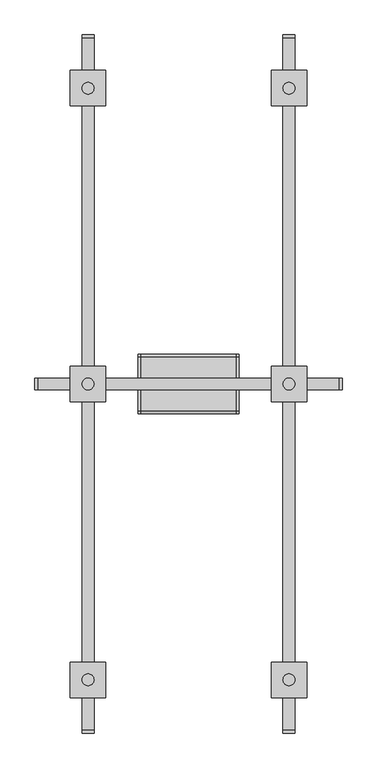
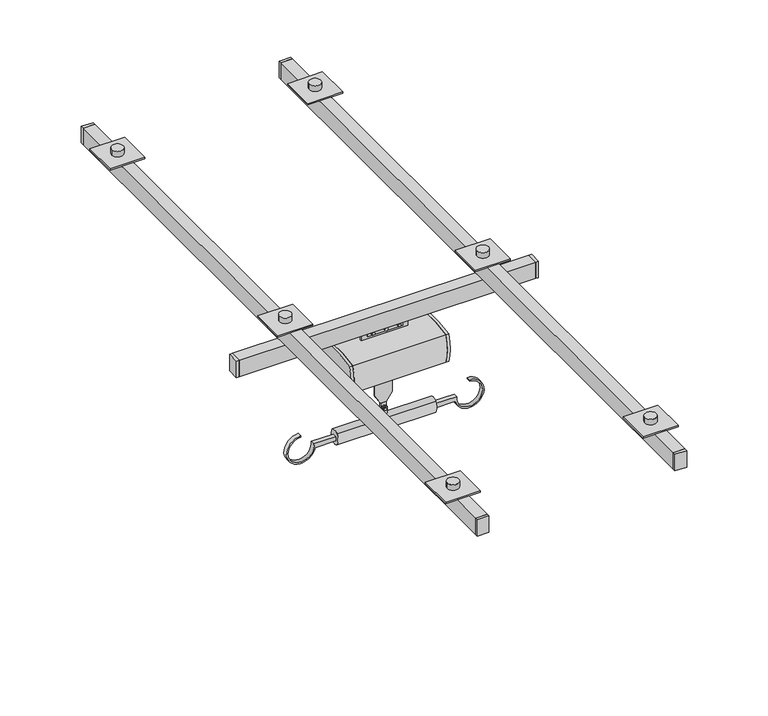
"""IFC4 building model written with IfcOpenShell, lengths in millimetres: proxy geometry."""

from ifc_helpers import new_model, si_unit, point, frame, frame_2d, origin, place, context, project, spatial, polyline, circle_curve, trimmed, segment, composite_curve, outline, extrude, source, transform, mapped, element, save
from ifc_brep_helpers import plane_surface, cylinder_surface, revolved_surface, advanced_brep


def specialty_equipment_1895601b(model_context):
    return source(origin(), model_context, "Body", "SolidModel", [
        extrude(outline(composite_curve([segment(polyline([(2089.15, 215.9), (2089.15, 306.0829605)]), True, "CONTINUOUS"), segment(trimmed(circle_curve(frame_2d((2101.85, 368.3)), 63.5), [point((2089.15, 306.0829605))], [point((2165.35, 368.3))], False, "CARTESIAN"), True, "CONTINUOUS"), segment(polyline([(2165.35, 368.3), (2159.0, 368.3)]), True, "CONTINUOUS"), segment(trimmed(circle_curve(frame_2d((2101.85, 368.3)), 57.15), [point((2159.0, 368.3))], [point((2108.2, 311.5038734))], True, "CARTESIAN"), True, "CONTINUOUS"), segment(polyline([(2108.2, 311.5038734), (2108.2, 215.9), (2089.15, 215.9)]), True, "CONTINUOUS")], self_intersect=False)), frame((0.0, -1508.125, 0.0), z_axis=(0.0, 1.0, 0.0), x_axis=(0.0, 0.0, 1.0)), (0.0, 0.0, 1.0), 19.05),
        extrude(outline(composite_curve([segment(trimmed(circle_curve(frame_2d((2101.85, -368.3)), 57.15), [point((2108.2, -311.5038734))], [point((2159.0, -368.3))], True, "CARTESIAN"), True, "CONTINUOUS"), segment(polyline([(2159.0, -368.3), (2165.35, -368.3)]), True, "CONTINUOUS"), segment(trimmed(circle_curve(frame_2d((2101.85, -368.3)), 63.5), [point((2165.35, -368.3))], [point((2089.15, -306.0829605))], False, "CARTESIAN"), True, "CONTINUOUS"), segment(polyline([(2089.15, -306.0829605), (2089.15, -215.9), (2108.2, -215.9), (2108.2, -311.5038734)]), True, "CONTINUOUS")], self_intersect=False)), frame((0.0, -1508.125, 0.0), z_axis=(0.0, 1.0, 0.0), x_axis=(0.0, 0.0, 1.0)), (0.0, 0.0, 1.0), 19.05),
        advanced_brep(
        [(203.2, -1384.3, 2368.55), (203.2, -1384.3, 2495.55), (203.2, -1612.9, 2495.55), (203.2, -1612.9, 2368.55), (-203.2, -1384.3, 2368.55), (-203.2, -1612.9, 2368.55), (-203.2, -1612.9, 2495.55), (-203.2, -1384.3, 2495.55), (57.15, -1479.55, 2356.1985923), (-57.15, -1479.55, 2356.1985923), (-57.15, -1501.775, 2355.85968), (57.15, -1501.775, 2355.85968), (38.1, -1489.075, 2355.9371262), (38.1, -1498.6, 2355.85), (-38.1, -1498.6, 2355.85), (-38.1, -1489.075, 2355.9371262), (57.15, -1479.55, 2349.5), (57.15, -1501.775, 2349.5), (-57.15, -1501.775, 2349.5), (-57.15, -1479.55, 2349.5), (38.1, -1489.075, 2349.5), (-38.1, -1489.075, 2349.5), (-38.1, -1498.6, 2349.5), (38.1, -1498.6, 2349.5)],
        [
            (0, 1, circle_curve(frame((203.2, -1536.7, 2432.05), z_axis=(1.0, 0.0, 0.0), x_axis=(0.0, 1.0, 0.0)), 165.1)),
            (1, 2, circle_curve(frame((203.2, -1498.6, 1987.55), z_axis=(1.0, 0.0, 0.0), x_axis=(0.0, 1.0, 0.0)), 520.7)),
            (2, 3, circle_curve(frame((203.2, -1460.5, 2432.05), z_axis=(1.0, 0.0, 0.0), x_axis=(0.0, 1.0, 0.0)), 165.1)),
            (3, 0, circle_curve(frame((203.2, -1498.6, 2876.55), z_axis=(1.0, 0.0, 0.0), x_axis=(0.0, 1.0, 0.0)), 520.7)),
            (4, 5, circle_curve(frame((-203.2, -1498.6, 2876.55), z_axis=(-1.0, 0.0, 0.0), x_axis=(0.0, 1.0, 0.0)), 520.7)),
            (5, 6, circle_curve(frame((-203.2, -1460.5, 2432.05), z_axis=(-1.0, 0.0, 0.0), x_axis=(0.0, 1.0, 0.0)), 165.1)),
            (6, 7, circle_curve(frame((-203.2, -1498.6, 1987.55), z_axis=(-1.0, 0.0, 0.0), x_axis=(0.0, 1.0, 0.0)), 520.7)),
            (7, 4, circle_curve(frame((-203.2, -1536.7, 2432.05), z_axis=(-1.0, 0.0, 0.0), x_axis=(0.0, 1.0, 0.0)), 165.1)),
            (0, 4),
            (7, 1),
            (6, 2),
            (5, 3),
            (8, 9),
            (9, 10, circle_curve(frame((-57.15, -1498.6, 2876.55), z_axis=(-1.0, 0.0, 0.0), x_axis=(0.0, 1.0, 0.0)), 520.7)),
            (10, 11),
            (11, 8, circle_curve(frame((57.15, -1498.6, 2876.55), z_axis=(1.0, 0.0, 0.0), x_axis=(0.0, 1.0, 0.0)), 520.7)),
            (12, 13, circle_curve(frame((38.1, -1498.6, 2876.55), z_axis=(-1.0, 0.0, 0.0), x_axis=(0.0, 1.0, 0.0)), 520.7)),
            (13, 14),
            (14, 15, circle_curve(frame((-38.1, -1498.6, 2876.55), z_axis=(1.0, 0.0, 0.0), x_axis=(0.0, 1.0, 0.0)), 520.7)),
            (15, 12),
            (16, 17),
            (17, 18),
            (18, 19),
            (19, 16),
            (20, 21),
            (21, 22),
            (22, 23),
            (23, 20),
            (19, 9),
            (8, 16),
            (18, 10),
            (17, 11),
            (23, 13),
            (12, 20),
            (22, 14),
            (21, 15),
        ],
        [
            plane_surface(frame((203.2, -1371.6, 2432.05), z_axis=(1.0, 0.0, 0.0), x_axis=(0.0, 0.0, 1.0))),
            plane_surface(frame((-203.2, -1371.6, 2432.05), z_axis=(-1.0, 0.0, 0.0), x_axis=(0.0, 0.0, -1.0))),
            cylinder_surface(frame((-203.2, -1536.7, 2432.05), z_axis=(1.0, 0.0, 0.0), x_axis=(0.0, 1.0, 0.0)), 165.1),
            cylinder_surface(frame((-203.2, -1498.6, 1987.55), z_axis=(1.0, 0.0, 0.0), x_axis=(0.0, 1.0, 0.0)), 520.7),
            cylinder_surface(frame((-203.2, -1460.5, 2432.05), z_axis=(1.0, 0.0, 0.0), x_axis=(0.0, 1.0, 0.0)), 165.1),
            cylinder_surface(frame((-203.2, -1498.6, 2876.55), z_axis=(1.0, 0.0, 0.0), x_axis=(0.0, 1.0, 0.0)), 520.7),
            plane_surface(frame((-57.15, -1479.55, 2349.5), z_axis=(0.0, 0.0, -1.0), x_axis=(1.0, 0.0, 0.0))),
            plane_surface(frame((57.15, -1479.55, 2368.55), z_axis=(0.0, 1.0, 0.0), x_axis=(0.0, 0.0, -1.0))),
            plane_surface(frame((-57.15, -1479.55, 2368.55), z_axis=(-1.0, 0.0, 0.0), x_axis=(0.0, 0.0, -1.0))),
            plane_surface(frame((-57.15, -1501.775, 2368.55), z_axis=(0.0, -1.0, 0.0), x_axis=(0.0, 0.0, -1.0))),
            plane_surface(frame((57.15, -1501.775, 2368.55), z_axis=(1.0, 0.0, 0.0), x_axis=(0.0, 0.0, -1.0))),
            plane_surface(frame((38.1, -1489.075, 2368.55), z_axis=(-1.0, 0.0, 0.0), x_axis=(0.0, 0.0, -1.0))),
            plane_surface(frame((38.1, -1498.6, 2368.55), z_axis=(0.0, 1.0, 0.0), x_axis=(0.0, 0.0, -1.0))),
            plane_surface(frame((-38.1, -1498.6, 2368.55), z_axis=(1.0, 0.0, 0.0), x_axis=(0.0, 0.0, -1.0))),
            plane_surface(frame((-38.1, -1489.075, 2368.55), z_axis=(0.0, -1.0, 0.0), x_axis=(0.0, 0.0, -1.0))),
        ],
        [
            (0, [[1, 2, 3, 4]]),
            (1, [[5, 6, 7, 8]]),
            (2, [[-1, 9, -8, 10]]),
            (3, [[-2, -10, -7, 11]]),
            (4, [[-3, -11, -6, 12]]),
            (5, [[-4, -12, -5, -9], [13, 14, 15, 16]]),
            (5, [[17, 18, 19, 20]]),
            (6, [[21, 22, 23, 24], [25, 26, 27, 28]]),
            (7, [[-24, 29, -13, 30]]),
            (8, [[-23, 31, -14, -29]]),
            (9, [[-22, 32, -15, -31]]),
            (10, [[-21, -30, -16, -32]]),
            (11, [[-28, 33, -17, 34]]),
            (12, [[-27, 35, -18, -33]]),
            (13, [[-26, 36, -19, -35]]),
            (14, [[-25, -34, -20, -36]]),
        ],
    ),
        extrude(outline(polyline([(2222.5, -38.1), (2184.4, -12.7), (2184.4, 12.7), (2222.5, 38.1), (2355.85, 38.1), (2355.85, -38.1), (2222.5, -38.1)])), frame((0.0, -1495.425, 0.0), z_axis=(0.0, 1.0, 0.0), x_axis=(0.0, 0.0, 1.0)), (0.0, 0.0, 1.0), 6.35),
        extrude(outline(composite_curve([segment(trimmed(circle_curve(frame_2d((2159.0, 0.0)), 6.35), [point((2159.0, -6.35))], [point((2159.0, 6.35))], False, "CARTESIAN"), True, "CONTINUOUS"), segment(trimmed(circle_curve(frame_2d((2159.0, 0.0)), 6.35), [point((2159.0, 6.35))], [point((2159.0, -6.35))], False, "CARTESIAN"), True, "CONTINUOUS")], self_intersect=False)), frame((0.0, -1489.075, 0.0), z_axis=(0.0, 1.0, 0.0), x_axis=(0.0, 0.0, 1.0)), (0.0, 0.0, 1.0), 9.525),
        extrude(outline(polyline([(2159.0, -7.3323484), (2152.65, -3.6661742), (2152.65, 3.6661742), (2159.0, 7.3323484), (2165.35, 3.6661742), (2165.35, -3.6661742), (2159.0, -7.3323484)])), frame((0.0, -1508.125, 0.0), z_axis=(0.0, 1.0, 0.0), x_axis=(0.0, 0.0, 1.0)), (0.0, 0.0, 1.0), 6.35),
        extrude(outline(polyline([(12.7, -1489.075), (12.7, -1495.425), (-12.7, -1495.425), (-12.7, -1489.075), (12.7, -1489.075)])), frame((0.0, 0.0, 2146.3), z_axis=(0.0, 0.0, 1.0), x_axis=(1.0, 0.0, 0.0)), (0.0, 0.0, 1.0), 38.1),
        advanced_brep(
        [(215.9, -1479.55, 2127.25), (215.9, -1517.65, 2127.25), (215.9, -1517.65, 2076.45), (215.9, -1479.55, 2076.45), (-215.9, -1479.55, 2127.25), (-215.9, -1479.55, 2076.45), (-215.9, -1517.65, 2076.45), (-215.9, -1517.65, 2127.25), (12.7, -1501.775, 2133.4408511), (-12.7, -1501.775, 2133.4408511), (-12.7, -1495.425, 2133.4408511), (12.7, -1495.425, 2133.4408511), (12.7, -1501.775, 2159.0), (-12.7, -1501.775, 2159.0), (-6.35, -1501.775, 2159.0), (6.35, -1501.775, 2159.0), (-12.7, -1495.425, 2159.0), (12.7, -1495.425, 2159.0), (-6.35, -1495.425, 2159.0), (6.35, -1495.425, 2159.0)],
        [
            (0, 1, circle_curve(frame((215.9, -1498.6, 2101.85), z_axis=(1.0, 0.0, 0.0), x_axis=(0.0, 1.0, 0.0)), 31.75)),
            (1, 2, circle_curve(frame((215.9, -1470.025, 2101.85), z_axis=(1.0, 0.0, 0.0), x_axis=(0.0, 1.0, 0.0)), 53.975)),
            (2, 3, circle_curve(frame((215.9, -1498.6, 2101.85), z_axis=(1.0, 0.0, 0.0), x_axis=(0.0, 1.0, 0.0)), 31.75)),
            (3, 0, circle_curve(frame((215.9, -1527.175, 2101.85), z_axis=(1.0, 0.0, 0.0), x_axis=(0.0, 1.0, 0.0)), 53.975)),
            (4, 5, circle_curve(frame((-215.9, -1527.175, 2101.85), z_axis=(-1.0, 0.0, 0.0), x_axis=(0.0, 1.0, 0.0)), 53.975)),
            (5, 6, circle_curve(frame((-215.9, -1498.6, 2101.85), z_axis=(-1.0, 0.0, 0.0), x_axis=(0.0, 1.0, 0.0)), 31.75)),
            (6, 7, circle_curve(frame((-215.9, -1470.025, 2101.85), z_axis=(-1.0, 0.0, 0.0), x_axis=(0.0, 1.0, 0.0)), 53.975)),
            (7, 4, circle_curve(frame((-215.9, -1498.6, 2101.85), z_axis=(-1.0, 0.0, 0.0), x_axis=(0.0, 1.0, 0.0)), 31.75)),
            (0, 4),
            (7, 1),
            (8, 9),
            (9, 10, circle_curve(frame((-12.7, -1498.6, 2101.85), z_axis=(-1.0, 0.0, 0.0), x_axis=(0.0, 1.0, 0.0)), 31.75)),
            (10, 11),
            (11, 8, circle_curve(frame((12.7, -1498.6, 2101.85), z_axis=(1.0, 0.0, 0.0), x_axis=(0.0, 1.0, 0.0)), 31.75)),
            (6, 2),
            (5, 3),
            (12, 13, circle_curve(frame((0.0, -1501.775, 2159.0), z_axis=(0.0, -1.0, 0.0), x_axis=(1.0, 0.0, 0.0)), 12.7)),
            (13, 9),
            (8, 12),
            (14, 15, circle_curve(frame((0.0, -1501.775, 2159.0), z_axis=(0.0, 1.0, 0.0), x_axis=(1.0, 0.0, 0.0)), 6.35)),
            (15, 14, circle_curve(frame((0.0, -1501.775, 2159.0), z_axis=(0.0, 1.0, 0.0), x_axis=(1.0, 0.0, 0.0)), 6.35)),
            (16, 17, circle_curve(frame((0.0, -1495.425, 2159.0), z_axis=(0.0, 1.0, 0.0), x_axis=(1.0, 0.0, 0.0)), 12.7)),
            (17, 11),
            (10, 16),
            (18, 19, circle_curve(frame((0.0, -1495.425, 2159.0), z_axis=(0.0, -1.0, 0.0), x_axis=(1.0, 0.0, 0.0)), 6.35)),
            (19, 18, circle_curve(frame((0.0, -1495.425, 2159.0), z_axis=(0.0, -1.0, 0.0), x_axis=(1.0, 0.0, 0.0)), 6.35)),
            (17, 12),
            (16, 13),
            (14, 18),
            (19, 15),
        ],
        [
            plane_surface(frame((215.9, -1466.85, 2101.85), z_axis=(1.0, 0.0, 0.0), x_axis=(0.0, 0.0, 1.0))),
            plane_surface(frame((-215.9, -1466.85, 2101.85), z_axis=(-1.0, 0.0, 0.0), x_axis=(0.0, 0.0, -1.0))),
            cylinder_surface(frame((-215.9, -1498.6, 2101.85), z_axis=(1.0, 0.0, 0.0), x_axis=(0.0, 1.0, 0.0)), 31.75),
            cylinder_surface(frame((-215.9, -1470.025, 2101.85), z_axis=(1.0, 0.0, 0.0), x_axis=(0.0, 1.0, 0.0)), 53.975),
            cylinder_surface(frame((-215.9, -1527.175, 2101.85), z_axis=(1.0, 0.0, 0.0), x_axis=(0.0, 1.0, 0.0)), 53.975),
            plane_surface(frame((12.7, -1501.775, 2159.0), z_axis=(0.0, -1.0, 0.0), x_axis=(0.0, 0.0, 1.0))),
            plane_surface(frame((12.7, -1495.425, 2159.0), z_axis=(0.0, 1.0, 0.0), x_axis=(0.0, 0.0, -1.0))),
            plane_surface(frame((12.7, -1501.775, 2127.25), z_axis=(1.0, 0.0, 0.0), x_axis=(0.0, 1.0, 0.0))),
            cylinder_surface(frame((0.0, -1495.425, 2159.0), z_axis=(0.0, -1.0, 0.0), x_axis=(1.0, 0.0, 0.0)), 12.7),
            plane_surface(frame((-12.7, -1501.775, 2159.0), z_axis=(-1.0, 0.0, 0.0), x_axis=(0.0, 1.0, 0.0))),
            revolved_surface(polyline([(6.35, -1495.425, 2159.0), (6.35, -1501.775, 2159.0)]), (0.0, 0.0, 2159.0), (0.0, 1.0, 0.0)),
        ],
        [
            (0, [[1, 2, 3, 4]]),
            (1, [[5, 6, 7, 8]]),
            (2, [[-1, 9, -8, 10], [11, 12, 13, 14]]),
            (3, [[-2, -10, -7, 15]]),
            (2, [[-3, -15, -6, 16]]),
            (4, [[-4, -16, -5, -9]]),
            (5, [[17, 18, -11, 19], [20, 21]]),
            (6, [[22, 23, -13, 24], [25, 26]]),
            (7, [[27, -19, -14, -23]]),
            (8, [[-17, -27, -22, 28]]),
            (9, [[-28, -24, -12, -18]]),
            (10, [[-20, 29, -26, 30]]),
            (10, [[-21, -30, -25, -29]]),
        ],
    ),
        extrude(outline(composite_curve([segment(trimmed(circle_curve(frame_2d((-1498.6, 2876.55)), 520.7), [point((-1384.3, 2368.55))], [point((-1612.9, 2368.55))], False, "CARTESIAN"), True, "CONTINUOUS"), segment(trimmed(circle_curve(frame_2d((-1460.5, 2432.05)), 165.1), [point((-1612.9, 2368.55))], [point((-1612.9, 2495.55))], False, "CARTESIAN"), True, "CONTINUOUS"), segment(trimmed(circle_curve(frame_2d((-1498.6, 1987.55)), 520.7), [point((-1612.9, 2495.55))], [point((-1384.3, 2495.55))], False, "CARTESIAN"), True, "CONTINUOUS"), segment(trimmed(circle_curve(frame_2d((-1536.7, 2432.05)), 165.1), [point((-1384.3, 2495.55))], [point((-1384.3, 2368.55))], False, "CARTESIAN"), True, "CONTINUOUS")], self_intersect=False)), frame((203.2, 0.0, 0.0), z_axis=(1.0, 0.0, 0.0), x_axis=(0.0, 1.0, 0.0)), (0.0, 0.0, 1.0), 12.7),
        extrude(outline(composite_curve([segment(trimmed(circle_curve(frame_2d((-1498.6, 2876.55)), 520.7), [point((-1384.3, 2368.55))], [point((-1612.9, 2368.55))], False, "CARTESIAN"), True, "CONTINUOUS"), segment(trimmed(circle_curve(frame_2d((-1460.5, 2432.05)), 165.1), [point((-1612.9, 2368.55))], [point((-1612.9, 2495.55))], False, "CARTESIAN"), True, "CONTINUOUS"), segment(trimmed(circle_curve(frame_2d((-1498.6, 1987.55)), 520.7), [point((-1612.9, 2495.55))], [point((-1384.3, 2495.55))], False, "CARTESIAN"), True, "CONTINUOUS"), segment(trimmed(circle_curve(frame_2d((-1536.7, 2432.05)), 165.1), [point((-1384.3, 2495.55))], [point((-1384.3, 2368.55))], False, "CARTESIAN"), True, "CONTINUOUS")], self_intersect=False)), frame((-215.9, 0.0, 0.0), z_axis=(1.0, 0.0, 0.0), x_axis=(0.0, 1.0, 0.0)), (0.0, 0.0, 1.0), 12.7),
        advanced_brep(
        [(76.2, -1508.125, 2520.95), (76.2, -1508.125, 2546.35), (-76.2, -1508.125, 2546.35), (-76.2, -1508.125, 2520.95), (-63.5, -1508.125, 2533.65), (-50.8, -1508.125, 2533.65), (50.8, -1508.125, 2533.65), (63.5, -1508.125, 2533.65), (-6.35, -1508.125, 2533.65), (6.35, -1508.125, 2533.65), (76.2, -1489.075, 2520.95), (-76.2, -1489.075, 2520.95), (-76.2, -1489.075, 2546.35), (76.2, -1489.075, 2546.35), (-63.5, -1489.075, 2533.65), (-50.8, -1489.075, 2533.65), (50.8, -1489.075, 2533.65), (63.5, -1489.075, 2533.65), (-6.35, -1489.075, 2533.65), (6.35, -1489.075, 2533.65), (76.2, -1501.775, 2520.95), (76.2, -1501.775, 2546.35), (76.2, -1495.425, 2546.35), (76.2, -1495.425, 2520.95), (101.6, -1501.775, 2546.35), (101.6, -1495.425, 2546.35), (-76.2, -1495.425, 2546.35), (-101.6, -1495.425, 2546.35), (-101.6, -1501.775, 2546.35), (-76.2, -1501.775, 2546.35), (-76.2, -1501.775, 2520.95), (-76.2, -1495.425, 2520.95), (-63.5, -1501.775, 2533.65), (-50.8, -1501.775, 2533.65), (-50.8, -1495.425, 2533.65), (-63.5, -1495.425, 2533.65), (50.8, -1501.775, 2533.65), (63.5, -1501.775, 2533.65), (63.5, -1495.425, 2533.65), (50.8, -1495.425, 2533.65), (-6.35, -1501.775, 2533.65), (6.35, -1501.775, 2533.65), (6.35, -1495.425, 2533.65), (-6.35, -1495.425, 2533.65), (101.6, -1501.775, 2508.25), (101.6, -1495.425, 2508.25), (-101.6, -1495.425, 2508.25), (-101.6, -1501.775, 2508.25)],
        [
            (0, 1),
            (1, 2),
            (2, 3),
            (3, 0),
            (4, 5, circle_curve(frame((-57.15, -1508.125, 2533.65), z_axis=(0.0, 1.0, 0.0), x_axis=(1.0, 0.0, 0.0)), 6.35)),
            (5, 4, circle_curve(frame((-57.15, -1508.125, 2533.65), z_axis=(0.0, 1.0, 0.0), x_axis=(1.0, 0.0, 0.0)), 6.35)),
            (6, 7, circle_curve(frame((57.15, -1508.125, 2533.65), z_axis=(0.0, 1.0, 0.0), x_axis=(1.0, 0.0, 0.0)), 6.35)),
            (7, 6, circle_curve(frame((57.15, -1508.125, 2533.65), z_axis=(0.0, 1.0, 0.0), x_axis=(1.0, 0.0, 0.0)), 6.35)),
            (8, 9, circle_curve(frame((0.0, -1508.125, 2533.65), z_axis=(0.0, 1.0, 0.0), x_axis=(1.0, 0.0, 0.0)), 6.35)),
            (9, 8, circle_curve(frame((0.0, -1508.125, 2533.65), z_axis=(0.0, 1.0, 0.0), x_axis=(1.0, 0.0, 0.0)), 6.35)),
            (10, 11),
            (11, 12),
            (12, 13),
            (13, 10),
            (14, 15, circle_curve(frame((-57.15, -1489.075, 2533.65), z_axis=(0.0, -1.0, 0.0), x_axis=(1.0, 0.0, 0.0)), 6.35)),
            (15, 14, circle_curve(frame((-57.15, -1489.075, 2533.65), z_axis=(0.0, -1.0, 0.0), x_axis=(1.0, 0.0, 0.0)), 6.35)),
            (16, 17, circle_curve(frame((57.15, -1489.075, 2533.65), z_axis=(0.0, -1.0, 0.0), x_axis=(1.0, 0.0, 0.0)), 6.35)),
            (17, 16, circle_curve(frame((57.15, -1489.075, 2533.65), z_axis=(0.0, -1.0, 0.0), x_axis=(1.0, 0.0, 0.0)), 6.35)),
            (18, 19, circle_curve(frame((0.0, -1489.075, 2533.65), z_axis=(0.0, -1.0, 0.0), x_axis=(1.0, 0.0, 0.0)), 6.35)),
            (19, 18, circle_curve(frame((0.0, -1489.075, 2533.65), z_axis=(0.0, -1.0, 0.0), x_axis=(1.0, 0.0, 0.0)), 6.35)),
            (0, 20),
            (20, 21),
            (21, 1),
            (13, 22),
            (22, 23),
            (23, 10),
            (21, 24),
            (24, 25),
            (25, 22),
            (12, 26),
            (26, 27),
            (27, 28),
            (28, 29),
            (29, 2),
            (29, 30),
            (30, 3),
            (11, 31),
            (31, 26),
            (30, 20),
            (23, 31),
            (4, 32),
            (32, 33, circle_curve(frame((-57.15, -1501.775, 2533.65), z_axis=(0.0, 1.0, 0.0), x_axis=(1.0, 0.0, 0.0)), 6.35)),
            (33, 5),
            (15, 34),
            (34, 35, circle_curve(frame((-57.15, -1495.425, 2533.65), z_axis=(0.0, -1.0, 0.0), x_axis=(1.0, 0.0, 0.0)), 6.35)),
            (35, 14),
            (33, 32, circle_curve(frame((-57.15, -1501.775, 2533.65), z_axis=(0.0, 1.0, 0.0), x_axis=(1.0, 0.0, 0.0)), 6.35)),
            (35, 34, circle_curve(frame((-57.15, -1495.425, 2533.65), z_axis=(0.0, -1.0, 0.0), x_axis=(1.0, 0.0, 0.0)), 6.35)),
            (6, 36),
            (36, 37, circle_curve(frame((57.15, -1501.775, 2533.65), z_axis=(0.0, 1.0, 0.0), x_axis=(1.0, 0.0, 0.0)), 6.35)),
            (37, 7),
            (17, 38),
            (38, 39, circle_curve(frame((57.15, -1495.425, 2533.65), z_axis=(0.0, -1.0, 0.0), x_axis=(1.0, 0.0, 0.0)), 6.35)),
            (39, 16),
            (37, 36, circle_curve(frame((57.15, -1501.775, 2533.65), z_axis=(0.0, 1.0, 0.0), x_axis=(1.0, 0.0, 0.0)), 6.35)),
            (39, 38, circle_curve(frame((57.15, -1495.425, 2533.65), z_axis=(0.0, -1.0, 0.0), x_axis=(1.0, 0.0, 0.0)), 6.35)),
            (8, 40),
            (40, 41, circle_curve(frame((0.0, -1501.775, 2533.65), z_axis=(0.0, 1.0, 0.0), x_axis=(1.0, 0.0, 0.0)), 6.35)),
            (41, 9),
            (19, 42),
            (42, 43, circle_curve(frame((0.0, -1495.425, 2533.65), z_axis=(0.0, -1.0, 0.0), x_axis=(1.0, 0.0, 0.0)), 6.35)),
            (43, 18),
            (41, 40, circle_curve(frame((0.0, -1501.775, 2533.65), z_axis=(0.0, 1.0, 0.0), x_axis=(1.0, 0.0, 0.0)), 6.35)),
            (43, 42, circle_curve(frame((0.0, -1495.425, 2533.65), z_axis=(0.0, -1.0, 0.0), x_axis=(1.0, 0.0, 0.0)), 6.35)),
            (24, 44),
            (44, 45),
            (45, 25),
            (27, 46),
            (46, 47),
            (47, 28),
            (47, 44),
            (46, 45),
        ],
        [
            plane_surface(frame((76.2, -1508.125, 2520.95), z_axis=(0.0, -1.0, 0.0), x_axis=(0.0, 0.0, 1.0))),
            plane_surface(frame((76.2, -1489.075, 2520.95), z_axis=(0.0, 1.0, 0.0), x_axis=(0.0, 0.0, -1.0))),
            plane_surface(frame((76.2, -1508.125, 2520.95), z_axis=(1.0, 0.0, 0.0), x_axis=(0.0, 1.0, 0.0))),
            plane_surface(frame((76.2, -1508.125, 2546.35), z_axis=(0.0, 0.0, 1.0), x_axis=(0.0, 1.0, 0.0))),
            plane_surface(frame((-76.2, -1508.125, 2546.35), z_axis=(-1.0, 0.0, 0.0), x_axis=(0.0, 1.0, 0.0))),
            plane_surface(frame((-76.2, -1508.125, 2520.95), z_axis=(0.0, 0.0, -1.0), x_axis=(0.0, 1.0, 0.0))),
            revolved_surface(polyline([(-50.8, -1501.775, 2533.65), (-50.8, -1508.125, 2533.65)]), (-57.15, 0.0, 2533.65), (0.0, 1.0, 0.0)),
            revolved_surface(polyline([(-50.8, -1489.075, 2533.65), (-50.8, -1495.425, 2533.65)]), (-57.15, 0.0, 2533.65), (0.0, 1.0, 0.0)),
            revolved_surface(polyline([(63.5, -1501.775, 2533.65), (63.5, -1508.125, 2533.65)]), (57.15, 0.0, 2533.65), (0.0, 1.0, 0.0)),
            revolved_surface(polyline([(63.5, -1489.075, 2533.65), (63.5, -1495.425, 2533.65)]), (57.15, 0.0, 2533.65), (0.0, 1.0, 0.0)),
            revolved_surface(polyline([(6.35, -1501.775, 2533.65), (6.35, -1508.125, 2533.65)]), (0.0, 0.0, 2533.65), (0.0, 1.0, 0.0)),
            revolved_surface(polyline([(6.35, -1489.075, 2533.65), (6.35, -1495.425, 2533.65)]), (0.0, 0.0, 2533.65), (0.0, 1.0, 0.0)),
            plane_surface(frame((101.6, -1501.775, 2546.35), z_axis=(1.0, 0.0, 0.0), x_axis=(0.0, 0.0, -1.0))),
            plane_surface(frame((-101.6, -1501.775, 2546.35), z_axis=(-1.0, 0.0, 0.0), x_axis=(0.0, 0.0, 1.0))),
            plane_surface(frame((101.6, -1501.775, 2546.35), z_axis=(0.0, -1.0, 0.0), x_axis=(-1.0, 0.0, 0.0))),
            plane_surface(frame((101.6, -1501.775, 2508.25), z_axis=(0.0, 0.0, -1.0), x_axis=(-1.0, 0.0, 0.0))),
            plane_surface(frame((101.6, -1495.425, 2508.25), z_axis=(0.0, 1.0, 0.0), x_axis=(-1.0, 0.0, 0.0))),
        ],
        [
            (0, [[1, 2, 3, 4], [5, 6], [7, 8], [9, 10]]),
            (1, [[11, 12, 13, 14], [15, 16], [17, 18], [19, 20]]),
            (2, [[-1, 21, 22, 23]]),
            (2, [[-14, 24, 25, 26]]),
            (3, [[-2, -23, 27, 28, 29, -24, -13, 30, 31, 32, 33, 34]]),
            (4, [[-3, -34, 35, 36]]),
            (4, [[-12, 37, 38, -30]]),
            (5, [[-4, -36, 39, -21]]),
            (5, [[-11, -26, 40, -37]]),
            (6, [[-5, 41, 42, 43]]),
            (7, [[-16, 44, 45, 46]]),
            (6, [[-6, -43, 47, -41]]),
            (7, [[-15, -46, 48, -44]]),
            (8, [[-7, 49, 50, 51]]),
            (9, [[-18, 52, 53, 54]]),
            (8, [[-8, -51, 55, -49]]),
            (9, [[-17, -54, 56, -52]]),
            (10, [[-9, 57, 58, 59]]),
            (11, [[-20, 60, 61, 62]]),
            (10, [[-10, -59, 63, -57]]),
            (11, [[-19, -62, 64, -60]]),
            (12, [[65, 66, 67, -28]]),
            (13, [[-32, 68, 69, 70]]),
            (14, [[-42, -47]]),
            (14, [[-50, -55]]),
            (14, [[-58, -63]]),
            (14, [[-65, -27, -22, -39, -35, -33, -70, 71]]),
            (15, [[-66, -71, -69, 72]]),
            (16, [[-45, -48]]),
            (16, [[-53, -56]]),
            (16, [[-61, -64]]),
            (16, [[-67, -72, -68, -31, -38, -40, -25, -29]]),
        ],
    ),
        extrude(outline(composite_curve([segment(trimmed(circle_curve(frame_2d((2533.65, 57.15)), 6.35), [point((2533.65, 50.8))], [point((2533.65, 63.5))], False, "CARTESIAN"), True, "CONTINUOUS"), segment(trimmed(circle_curve(frame_2d((2533.65, 57.15)), 6.35), [point((2533.65, 63.5))], [point((2533.65, 50.8))], False, "CARTESIAN"), True, "CONTINUOUS")], self_intersect=False)), frame((0.0, -1489.075, 0.0), z_axis=(0.0, 1.0, 0.0), x_axis=(0.0, 0.0, 1.0)), (0.0, 0.0, 1.0), 9.525),
        extrude(outline(composite_curve([segment(trimmed(circle_curve(frame_2d((2533.65, 0.0)), 6.35), [point((2533.65, -6.35))], [point((2533.65, 6.35))], False, "CARTESIAN"), True, "CONTINUOUS"), segment(trimmed(circle_curve(frame_2d((2533.65, 0.0)), 6.35), [point((2533.65, 6.35))], [point((2533.65, -6.35))], False, "CARTESIAN"), True, "CONTINUOUS")], self_intersect=False)), frame((0.0, -1489.075, 0.0), z_axis=(0.0, 1.0, 0.0), x_axis=(0.0, 0.0, 1.0)), (0.0, 0.0, 1.0), 9.525),
        extrude(outline(composite_curve([segment(trimmed(circle_curve(frame_2d((2533.65, -57.15)), 6.35), [point((2533.65, -63.5))], [point((2533.65, -50.8))], False, "CARTESIAN"), True, "CONTINUOUS"), segment(trimmed(circle_curve(frame_2d((2533.65, -57.15)), 6.35), [point((2533.65, -50.8))], [point((2533.65, -63.5))], False, "CARTESIAN"), True, "CONTINUOUS")], self_intersect=False)), frame((0.0, -1489.075, 0.0), z_axis=(0.0, 1.0, 0.0), x_axis=(0.0, 0.0, 1.0)), (0.0, 0.0, 1.0), 9.525),
        extrude(outline(polyline([(2533.65, 49.8176516), (2527.3, 53.4838258), (2527.3, 60.8161742), (2533.65, 64.4823484), (2540.0, 60.8161742), (2540.0, 53.4838258), (2533.65, 49.8176516)])), frame((0.0, -1517.65, 0.0), z_axis=(0.0, 1.0, 0.0), x_axis=(0.0, 0.0, 1.0)), (0.0, 0.0, 1.0), 9.525),
        extrude(outline(polyline([(2533.65, -7.3323484), (2527.3, -3.6661742), (2527.3, 3.6661742), (2533.65, 7.3323484), (2540.0, 3.6661742), (2540.0, -3.6661742), (2533.65, -7.3323484)])), frame((0.0, -1517.65, 0.0), z_axis=(0.0, 1.0, 0.0), x_axis=(0.0, 0.0, 1.0)), (0.0, 0.0, 1.0), 9.525),
        extrude(outline(polyline([(2533.65, -64.4823484), (2527.3, -60.8161742), (2527.3, -53.4838258), (2533.65, -49.8176516), (2540.0, -53.4838258), (2540.0, -60.8161742), (2533.65, -64.4823484)])), frame((0.0, -1517.65, 0.0), z_axis=(0.0, 1.0, 0.0), x_axis=(0.0, 0.0, 1.0)), (0.0, 0.0, 1.0), 9.525),
        extrude(outline(polyline([(-647.7, -1524.0), (-660.4, -1524.0), (-660.4, -1473.2), (-647.7, -1473.2), (-647.7, -1524.0)])), frame((0.0, 0.0, 2546.35), z_axis=(0.0, 0.0, 1.0), x_axis=(1.0, 0.0, 0.0)), (0.0, 0.0, 1.0), 76.2),
        extrude(outline(polyline([(660.4, -1524.0), (647.7, -1524.0), (647.7, -1473.2), (660.4, -1473.2), (660.4, -1524.0)])), frame((0.0, 0.0, 2546.35), z_axis=(0.0, 0.0, 1.0), x_axis=(1.0, 0.0, 0.0)), (0.0, 0.0, 1.0), 76.2),
        extrude(outline(polyline([(-1489.075, 2552.7), (-1479.55, 2552.7), (-1479.55, 2616.2), (-1517.65, 2616.2), (-1517.65, 2552.7), (-1508.125, 2552.7), (-1508.125, 2546.35), (-1524.0, 2546.35), (-1524.0, 2622.55), (-1473.2, 2622.55), (-1473.2, 2546.35), (-1489.075, 2546.35), (-1489.075, 2552.7)])), frame((-647.7, 0.0, 0.0), z_axis=(1.0, 0.0, 0.0), x_axis=(0.0, 1.0, 0.0)), (0.0, 0.0, 1.0), 1295.4),
        extrude(outline(composite_curve([segment(trimmed(circle_curve(frame_2d((-431.8, -1498.6)), 9.525), [point((-441.325, -1498.6))], [point((-422.275, -1498.6))], False, "CARTESIAN"), True, "CONTINUOUS"), segment(trimmed(circle_curve(frame_2d((-431.8, -1498.6)), 9.525), [point((-422.275, -1498.6))], [point((-441.325, -1498.6))], False, "CARTESIAN"), True, "CONTINUOUS")], self_intersect=False)), frame((0.0, 0.0, 2622.55), z_axis=(0.0, 0.0, 1.0), x_axis=(1.0, 0.0, 0.0)), (0.0, 0.0, 1.0), 82.55),
        extrude(outline(composite_curve([segment(trimmed(circle_curve(frame_2d((431.8, -1498.6)), 9.525), [point((422.275, -1498.6))], [point((441.325, -1498.6))], False, "CARTESIAN"), True, "CONTINUOUS"), segment(trimmed(circle_curve(frame_2d((431.8, -1498.6)), 9.525), [point((441.325, -1498.6))], [point((422.275, -1498.6))], False, "CARTESIAN"), True, "CONTINUOUS")], self_intersect=False)), frame((0.0, 0.0, 2622.55), z_axis=(0.0, 0.0, 1.0), x_axis=(1.0, 0.0, 0.0)), (0.0, 0.0, 1.0), 82.55),
        extrude(outline(polyline([(-406.4, 0.0), (-406.4, -12.7), (-457.2, -12.7), (-457.2, 0.0), (-406.4, 0.0)])), frame((0.0, 0.0, 2635.25), z_axis=(0.0, 0.0, 1.0), x_axis=(1.0, 0.0, 0.0)), (0.0, 0.0, 1.0), 76.2),
        extrude(outline(polyline([(-406.4, -2984.5), (-406.4, -2997.2), (-457.2, -2997.2), (-457.2, -2984.5), (-406.4, -2984.5)])), frame((0.0, 0.0, 2635.25), z_axis=(0.0, 0.0, 1.0), x_axis=(1.0, 0.0, 0.0)), (0.0, 0.0, 1.0), 76.2),
        extrude(outline(polyline([(457.2, -2984.5), (457.2, -2997.2), (406.4, -2997.2), (406.4, -2984.5), (457.2, -2984.5)])), frame((0.0, 0.0, 2635.25), z_axis=(0.0, 0.0, 1.0), x_axis=(1.0, 0.0, 0.0)), (0.0, 0.0, 1.0), 76.2),
        extrude(outline(polyline([(457.2, 0.0), (457.2, -12.7), (406.4, -12.7), (406.4, 0.0), (457.2, 0.0)])), frame((0.0, 0.0, 2635.25), z_axis=(0.0, 0.0, 1.0), x_axis=(1.0, 0.0, 0.0)), (0.0, 0.0, 1.0), 76.2),
        extrude(outline(polyline([(2641.6, 422.275), (2641.6, 412.75), (2705.1, 412.75), (2705.1, 450.85), (2641.6, 450.85), (2641.6, 441.325), (2635.25, 441.325), (2635.25, 457.2), (2711.45, 457.2), (2711.45, 406.4), (2635.25, 406.4), (2635.25, 422.275), (2641.6, 422.275)])), frame((0.0, -2984.5, 0.0), z_axis=(0.0, 1.0, 0.0), x_axis=(0.0, 0.0, 1.0)), (0.0, 0.0, 1.0), 2971.8),
        extrude(outline(polyline([(2641.6, -441.3413173), (2641.6, -450.85), (2705.1, -450.85), (2705.1, -412.75), (2641.6, -412.75), (2641.6, -422.275), (2635.25, -422.275), (2635.25, -406.4), (2711.45, -406.4), (2711.45, -457.2), (2635.25, -457.2), (2635.25, -441.3413173), (2641.6, -441.3413173)])), frame((0.0, -2984.5, 0.0), z_axis=(0.0, 1.0, 0.0), x_axis=(0.0, 0.0, 1.0)), (0.0, 0.0, 1.0), 2971.8),
        extrude(outline(composite_curve([segment(trimmed(circle_curve(frame_2d((-431.8, -228.6)), 25.4), [point((-457.2, -228.6))], [point((-406.4, -228.6))], False, "CARTESIAN"), True, "CONTINUOUS"), segment(trimmed(circle_curve(frame_2d((-431.8, -228.6)), 25.4), [point((-406.4, -228.6))], [point((-457.2, -228.6))], False, "CARTESIAN"), True, "CONTINUOUS")], self_intersect=False)), frame((0.0, 0.0, 2717.8), z_axis=(0.0, 0.0, 1.0), x_axis=(1.0, 0.0, 0.0)), (0.0, 0.0, 1.0), 25.4),
        extrude(outline(composite_curve([segment(trimmed(circle_curve(frame_2d((-431.8, -1498.6)), 25.4), [point((-457.2, -1498.6))], [point((-406.4, -1498.6))], False, "CARTESIAN"), True, "CONTINUOUS"), segment(trimmed(circle_curve(frame_2d((-431.8, -1498.6)), 25.4), [point((-406.4, -1498.6))], [point((-457.2, -1498.6))], False, "CARTESIAN"), True, "CONTINUOUS")], self_intersect=False)), frame((0.0, 0.0, 2717.8), z_axis=(0.0, 0.0, 1.0), x_axis=(1.0, 0.0, 0.0)), (0.0, 0.0, 1.0), 25.4),
        extrude(outline(composite_curve([segment(trimmed(circle_curve(frame_2d((-431.8, -2768.6)), 25.4), [point((-457.2, -2768.6))], [point((-406.4, -2768.6))], False, "CARTESIAN"), True, "CONTINUOUS"), segment(trimmed(circle_curve(frame_2d((-431.8, -2768.6)), 25.4), [point((-406.4, -2768.6))], [point((-457.2, -2768.6))], False, "CARTESIAN"), True, "CONTINUOUS")], self_intersect=False)), frame((0.0, 0.0, 2717.8), z_axis=(0.0, 0.0, 1.0), x_axis=(1.0, 0.0, 0.0)), (0.0, 0.0, 1.0), 25.4),
        extrude(outline(composite_curve([segment(trimmed(circle_curve(frame_2d((431.8, -228.6)), 25.4), [point((406.4, -228.6))], [point((457.2, -228.6))], False, "CARTESIAN"), True, "CONTINUOUS"), segment(trimmed(circle_curve(frame_2d((431.8, -228.6)), 25.4), [point((457.2, -228.6))], [point((406.4, -228.6))], False, "CARTESIAN"), True, "CONTINUOUS")], self_intersect=False)), frame((0.0, 0.0, 2717.8), z_axis=(0.0, 0.0, 1.0), x_axis=(1.0, 0.0, 0.0)), (0.0, 0.0, 1.0), 25.4),
        extrude(outline(composite_curve([segment(trimmed(circle_curve(frame_2d((431.8, -1498.6)), 25.4), [point((406.4, -1498.6))], [point((457.2, -1498.6))], False, "CARTESIAN"), True, "CONTINUOUS"), segment(trimmed(circle_curve(frame_2d((431.8, -1498.6)), 25.4), [point((457.2, -1498.6))], [point((406.4, -1498.6))], False, "CARTESIAN"), True, "CONTINUOUS")], self_intersect=False)), frame((0.0, 0.0, 2717.8), z_axis=(0.0, 0.0, 1.0), x_axis=(1.0, 0.0, 0.0)), (0.0, 0.0, 1.0), 25.4),
        extrude(outline(composite_curve([segment(trimmed(circle_curve(frame_2d((431.8, -2768.6)), 25.4), [point((406.4, -2768.6))], [point((457.2, -2768.6))], False, "CARTESIAN"), True, "CONTINUOUS"), segment(trimmed(circle_curve(frame_2d((431.8, -2768.6)), 25.4), [point((457.2, -2768.6))], [point((406.4, -2768.6))], False, "CARTESIAN"), True, "CONTINUOUS")], self_intersect=False)), frame((0.0, 0.0, 2717.8), z_axis=(0.0, 0.0, 1.0), x_axis=(1.0, 0.0, 0.0)), (0.0, 0.0, 1.0), 25.4),
        extrude(outline(polyline([(508.0, -2692.4), (508.0, -2844.8), (355.6, -2844.8), (355.6, -2692.4), (508.0, -2692.4)])), frame((0.0, 0.0, 2711.45), z_axis=(0.0, 0.0, 1.0), x_axis=(1.0, 0.0, 0.0)), (0.0, 0.0, 1.0), 6.35),
        extrude(outline(polyline([(508.0, -1422.4), (508.0, -1574.8), (355.6, -1574.8), (355.6, -1422.4), (508.0, -1422.4)])), frame((0.0, 0.0, 2711.45), z_axis=(0.0, 0.0, 1.0), x_axis=(1.0, 0.0, 0.0)), (0.0, 0.0, 1.0), 6.35),
        extrude(outline(polyline([(508.0, -152.4), (508.0, -304.8), (355.6, -304.8), (355.6, -152.4), (508.0, -152.4)])), frame((0.0, 0.0, 2711.45), z_axis=(0.0, 0.0, 1.0), x_axis=(1.0, 0.0, 0.0)), (0.0, 0.0, 1.0), 6.35),
        extrude(outline(polyline([(-355.6, -304.8), (-508.0, -304.8), (-508.0, -152.4), (-355.6, -152.4), (-355.6, -304.8)])), frame((0.0, 0.0, 2711.45), z_axis=(0.0, 0.0, 1.0), x_axis=(1.0, 0.0, 0.0)), (0.0, 0.0, 1.0), 6.35),
        extrude(outline(polyline([(-355.6, -1574.8), (-508.0, -1574.8), (-508.0, -1422.4), (-355.6, -1422.4), (-355.6, -1574.8)])), frame((0.0, 0.0, 2711.45), z_axis=(0.0, 0.0, 1.0), x_axis=(1.0, 0.0, 0.0)), (0.0, 0.0, 1.0), 6.35),
        extrude(outline(polyline([(-355.6, -2844.8), (-508.0, -2844.8), (-508.0, -2692.4), (-355.6, -2692.4), (-355.6, -2844.8)])), frame((0.0, 0.0, 2711.45), z_axis=(0.0, 0.0, 1.0), x_axis=(1.0, 0.0, 0.0)), (0.0, 0.0, 1.0), 6.35),
    ])


if __name__ == "__main__":
    model = new_model("IFC4")
    model_context = context("Model", 3, world=origin())
    ifc_project = project(units=[si_unit("LENGTHUNIT", "METRE", prefix="MILLI")], contexts=[model_context])
    site = spatial("IfcSite", under=ifc_project)
    building = spatial("IfcBuilding", under=site)
    placement = place(None, origin())
    specialty_equipment_shape = specialty_equipment_1895601b(model_context)
    element("IfcBuildingElementProxy", 1, Name="Specialty Equipment", at=placement, inside=building, context=model_context, shape_type="MappedRepresentation", body=[
        mapped(specialty_equipment_shape, transform((0.0, 0.0, 0.0), x_axis=(1.0, 0.0, 0.0), y_axis=(0.0, 1.0, 0.0), z_axis=(0.0, 0.0, 1.0))),
    ])
    save(model, "model.ifc")
